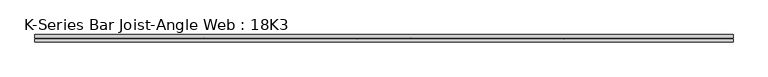
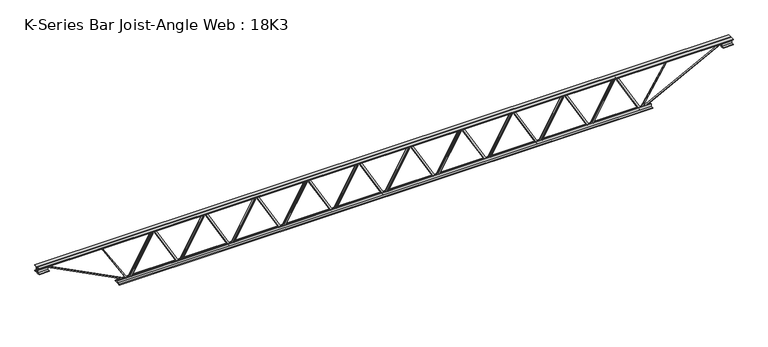
"""IFC4 building model written with IfcOpenShell, lengths in millimetres: beam geometry, K-Series Bar Joist-Angle Web : 18K3."""

import ifcopenshell
import ifcopenshell.guid

model = None  # the IFC model being written
_history = None  # IfcOwnerHistory: only IFC2X3 demands one
_inside = {}  # id of a spatial element -> (the spatial element, [elements in it])
_under = {}  # id of a project, library or spatial element -> (it, [spatial elements below it])
_declared = {}  # id of a project -> (the project, [libraries it declares])
_typed = {}  # id of a type object -> (the type object, [elements of that type])
_made_of = {}  # id of a material, layer set ... -> (it, [elements and type objects made of it])


def new_model(schema):
    """Start an empty IFC model of exactly this schema.

    Asked for "IFC4X3", IfcOpenShell would pick the latest addendum, in which some entities
    have other attributes; the version numbers below select the first issue.
    IFC2X3 requires an IfcOwnerHistory on every rooted entity: one is made here for all.
    """
    global model, _history
    if schema == "IFC4X3":
        model = ifcopenshell.file(schema_version=(4, 3, 0, 0))
    else:
        model = ifcopenshell.file(schema=schema)
    _inside.clear()
    _under.clear()
    _declared.clear()
    _typed.clear()
    _made_of.clear()
    _history = None
    if model.schema == "IFC2X3":
        org = make("IfcOrganization", Name="unknown")
        user = make(
            "IfcPersonAndOrganization",
            ThePerson=make("IfcPerson", FamilyName="unknown"),
            TheOrganization=org,
        )
        app = make(
            "IfcApplication",
            ApplicationDeveloper=org,
            Version="unknown",
            ApplicationFullName="unknown",
            ApplicationIdentifier="unknown",
        )
        _history = make(
            "IfcOwnerHistory",
            OwningUser=user,
            OwningApplication=app,
            ChangeAction="ADDED",
            CreationDate=0,
        )
    return model


def make(cls, **values):
    """One entity of the class cls with the attributes given. An attribute that is None is left unset."""
    return model.create_entity(
        cls, **{name: value for name, value in values.items() if value is not None}
    )


def rooted(cls, **values):
    """An entity with a GlobalId (a new one), such as an element, a storey or a relation."""
    return make(cls, GlobalId=ifcopenshell.guid.new(), OwnerHistory=_history, **values)


def si_unit(unit_type, name, prefix=None):
    """IfcSIUnit, for example si_unit("LENGTHUNIT", "METRE", prefix="MILLI")."""
    return make("IfcSIUnit", UnitType=unit_type, Prefix=prefix, Name=name)


def assignment(units):
    """IfcUnitAssignment: the units of a project."""
    return None if units is None else make("IfcUnitAssignment", Units=units)


def point(xyz):
    """IfcCartesianPoint."""
    return None if xyz is None else make("IfcCartesianPoint", Coordinates=xyz)


def direction(xyz):
    """IfcDirection."""
    return None if xyz is None else make("IfcDirection", DirectionRatios=xyz)


def frame(location, z_axis=None, x_axis=None):
    """IfcAxis2Placement3D, a coordinate frame: its origin and axes. An axis left out is left unset."""
    return make(
        "IfcAxis2Placement3D",
        Location=point(location),
        Axis=direction(z_axis),
        RefDirection=direction(x_axis),
    )


def origin():
    """The frame at (0, 0, 0) with its axes left unset."""
    return frame((0.0, 0.0, 0.0))


def place(relative_to, where):
    """IfcLocalPlacement: puts the frame where relative to a parent placement (None: the world)."""
    return make(
        "IfcLocalPlacement", PlacementRelTo=relative_to, RelativePlacement=where
    )


def context(
    kind, dimensions, precision=None, world=None, true_north=None, identifier=None
):
    """IfcGeometricRepresentationContext, for example the 3D "Model" context."""
    return make(
        "IfcGeometricRepresentationContext",
        ContextIdentifier=identifier,
        ContextType=kind,
        CoordinateSpaceDimension=dimensions,
        Precision=precision,
        WorldCoordinateSystem=world,
        TrueNorth=true_north,
    )


def project(units=None, contexts=None):
    """IfcProject with its units and contexts."""
    return rooted(
        "IfcProject",
        Name="project",
        RepresentationContexts=contexts,
        UnitsInContext=assignment(units),
    )


def spatial(cls, under=None, at=None, **own):
    """A site, building, storey or space (cls), placed at a placement, below another one or the project."""
    s = rooted(cls, ObjectPlacement=at, **own)
    if under is not None:
        _under.setdefault(under.id(), (under, []))[1].append(s)
    return s


def polyline(points):
    """IfcPolyline through the points."""
    return make("IfcPolyline", Points=[point(p) for p in points])


def outline(outer, holes=None, kind="AREA"):
    """IfcArbitraryClosedProfileDef: a profile drawn as a closed curve; with holes, ...WithVoids."""
    if holes is None:
        return make("IfcArbitraryClosedProfileDef", ProfileType=kind, OuterCurve=outer)
    return make(
        "IfcArbitraryProfileDefWithVoids",
        ProfileType=kind,
        OuterCurve=outer,
        InnerCurves=holes,
    )


def extrude(swept, where, along, depth):
    """IfcExtrudedAreaSolid: the profile swept, set in the frame where, extruded along a direction by depth."""
    return make(
        "IfcExtrudedAreaSolid",
        SweptArea=swept,
        Position=where,
        ExtrudedDirection=direction(along),
        Depth=depth,
    )


def faces_of(points, faces, orient=None, outer=None):
    """IfcFace entities. A face is a list of loops; a loop is a list of indices into points, from 0.

    orient and outer hold one flag for each loop. By default every Orientation is true, the
    first loop of a face is its IfcFaceOuterBound and the others are IfcFaceBound.
    """
    made = []
    for i, loops in enumerate(faces):
        bounds = []
        for j, loop in enumerate(loops):
            is_outer = j == 0 if outer is None else outer[i][j]
            bounds.append(
                make(
                    "IfcFaceOuterBound" if is_outer else "IfcFaceBound",
                    Bound=make("IfcPolyLoop", Polygon=[points[k] for k in loop]),
                    Orientation=True if orient is None else orient[i][j],
                )
            )
        made.append(make("IfcFace", Bounds=bounds))
    return made


def faceted_brep(points, faces, orient=None, outer=None, voids=None):
    """IfcFacetedBrep: a solid bounded by flat faces; with voids (closed shells), ...WithVoids."""
    shared = [point(p) for p in points]
    hull = make("IfcClosedShell", CfsFaces=faces_of(shared, faces, orient, outer))
    if voids is None:
        return make("IfcFacetedBrep", Outer=hull)
    return make(
        "IfcFacetedBrepWithVoids",
        Outer=hull,
        Voids=[
            make(cls, CfsFaces=faces_of(shared, fs, o, b)) for cls, fs, o, b in voids
        ],
    )


def shape(context_of_items, identifier, shape_type, items):
    """IfcShapeRepresentation: the items that make up one representation, for example the "Body"."""
    return make(
        "IfcShapeRepresentation",
        ContextOfItems=context_of_items,
        RepresentationIdentifier=identifier,
        RepresentationType=shape_type,
        Items=items,
    )


def source(mapping_origin, context_of_items, identifier, shape_type, items):
    """IfcRepresentationMap: a shape defined once, which mapped items show again and again."""
    return make(
        "IfcRepresentationMap",
        MappingOrigin=mapping_origin,
        MappedRepresentation=shape(context_of_items, identifier, shape_type, items),
    )


def transform(
    local_origin,
    x_axis=None,
    y_axis=None,
    z_axis=None,
    scale=None,
    scale2=None,
    scale3=None,
    uniform=True,
):
    """IfcCartesianTransformationOperator3D, or its non-uniform kind. x_axis, y_axis, z_axis: its Axis1, 2, 3."""
    if uniform:
        return make(
            "IfcCartesianTransformationOperator3D",
            Axis1=direction(x_axis),
            Axis2=direction(y_axis),
            LocalOrigin=point(local_origin),
            Scale=scale,
            Axis3=direction(z_axis),
        )
    return make(
        "IfcCartesianTransformationOperator3DnonUniform",
        Axis1=direction(x_axis),
        Axis2=direction(y_axis),
        LocalOrigin=point(local_origin),
        Scale=scale,
        Axis3=direction(z_axis),
        Scale2=scale2,
        Scale3=scale3,
    )


def mapped(mapping_source, mapping_target):
    """IfcMappedItem: shows the shape of a source again, moved by a transform."""
    return make(
        "IfcMappedItem", MappingSource=mapping_source, MappingTarget=mapping_target
    )


def made_of(thing, what):
    """Note that an element or type object is made of a material, layer set ...; save() writes the relation."""
    if what is not None:
        _made_of.setdefault(what.id(), (what, []))[1].append(thing)
    return thing


def element(
    cls,
    number,
    at=None,
    inside=None,
    cuts=None,
    type_object=None,
    material=None,
    context=None,
    identifier="Body",
    shape_type=None,
    held_by="IfcProductDefinitionShape",
    body=None,
    shapes=None,
    **own,
):
    """One element of the class cls, such as IfcWall. Its Tag is "e" and its number.

    at: its placement. inside: the storey or other place that contains it. cuts: it is an
    opening in that element (IfcRelVoidsElement). A single representation is given by context,
    identifier, shape_type and body (its items); several are given by shapes. held_by: the class
    of the entity that holds the representations. save() writes the other relations.
    """
    e = rooted(cls, Tag="e%d" % number, ObjectPlacement=at, **own)
    if body is not None:
        shapes = [shape(context, identifier, shape_type, body)]
    if shapes is not None:
        e.Representation = make(held_by, Representations=shapes)
    if inside is not None:
        _inside.setdefault(inside.id(), (inside, []))[1].append(e)
    if cuts is not None:
        rooted(
            "IfcRelVoidsElement", RelatingBuildingElement=cuts, RelatedOpeningElement=e
        )
    if type_object is not None:
        _typed.setdefault(type_object.id(), (type_object, []))[1].append(e)
    return made_of(e, material)


def aggregate(whole, parts):
    """IfcRelAggregates: a whole, such as a stair, and the parts it consists of."""
    return rooted("IfcRelAggregates", RelatingObject=whole, RelatedObjects=parts)


def save(model, path):
    """Write the relations noted so far, then the file.

    IfcRelAggregates (storeys below a building ...), IfcRelContainedInSpatialStructure (elements
    in a storey), IfcRelDefinesByType, IfcRelAssociatesMaterial and IfcRelDeclares: one each for
    every whole, place, type object, material and project.
    """
    for whole, parts in _under.values():
        aggregate(whole, parts)
    for where, things in _inside.values():
        rooted(
            "IfcRelContainedInSpatialStructure",
            RelatedElements=things,
            RelatingStructure=where,
        )
    for kind, things in _typed.values():
        rooted("IfcRelDefinesByType", RelatedObjects=things, RelatingType=kind)
    for what, things in _made_of.values():
        rooted("IfcRelAssociatesMaterial", RelatedObjects=things, RelatingMaterial=what)
    for by, libraries in _declared.values():
        rooted("IfcRelDeclares", RelatingContext=by, RelatedDefinitions=libraries)
    model.write(path)


def k_series_bar_joist_angle_web_18k3_24161529(model_context):
    return source(origin(), model_context, "Body", "SolidModel", [
        extrude(outline(polyline([(-4.7625, 4.7625), (-4.7625, 0.0), (-17.4625, 0.0), (-17.4625, 4.7625), (-4.7625, 4.7625)])), frame((2045.2368354, 0.0, -190.5), z_axis=(-0.4964310512855529, 0.0, 0.8680761552533975), x_axis=(0.0, -1.0, 0.0)), (0.0, 0.0, 1.0), 438.9015845),
        extrude(outline(polyline([(-225.425, 2077.085), (-206.375, 2077.085), (-206.375, 2076.2604302), (225.425, 1829.3248052), (225.425, 1811.099375), (206.375, 1811.099375), (206.375, 1818.2739448), (-225.425, 2065.2095698), (-225.425, 2077.085)])), frame((0.0, 0.0, 0.0), z_axis=(0.0, 1.0, 0.0), x_axis=(0.0, 0.0, 1.0)), (0.0, 0.0, 1.0), 4.7625),
        faceted_brep([(1557.81375, 0.0, -206.375), (1557.81375, 0.0, -225.425), (1557.81375, -4.7625, -225.425), (1557.81375, -4.7625, -206.375), (1558.6383198, 0.0, -206.375), (1805.5739448, 0.0, 225.425), (1823.799375, 0.0, 225.425), (1823.799375, 0.0, 206.375), (1816.6248052, 0.0, 206.375), (1569.6891802, 0.0, -225.425), (1569.6891802, -4.7625, -225.425), (1589.6619146, -4.7625, -190.5), (1585.5277019, -4.7625, -188.1357471), (1803.4120769, -4.7625, 192.8642529), (1807.5462896, -4.7625, 190.5), (1816.6248052, -4.7625, 206.375), (1823.799375, -4.7625, 206.375), (1823.799375, -4.7625, 225.425), (1805.5739448, -4.7625, 225.425), (1558.6383198, -4.7625, -206.375), (1807.5462896, -17.4625, 190.5), (1589.6619146, -17.4625, -190.5), (1585.5277019, -17.4625, -188.1357471), (1803.4120769, -17.4625, 192.8642529)], [[[0, 1, 2, 3]], [[1, 0, 4, 5, 6, 7, 8, 9]], [[2, 1, 9, 10]], [[3, 2, 10, 11, 12, 13, 14, 15, 16, 17, 18, 19]], [[0, 3, 19, 4]], [[9, 8, 15, 14, 20, 21, 11, 10]], [[5, 4, 19, 18]], [[7, 6, 17, 16]], [[8, 7, 16, 15]], [[6, 5, 18, 17]], [[21, 22, 12, 11]], [[20, 14, 13, 23]], [[22, 21, 20, 23]], [[12, 22, 23, 13]]]),
        extrude(outline(polyline([(-4.7625, 4.7625), (-4.7625, 0.0), (-17.4625, 0.0), (-17.4625, 4.7625), (-4.7625, 4.7625)])), frame((1525.9655854, 0.0, -190.5), z_axis=(-0.4964310512855529, 0.0, 0.8680761552533975), x_axis=(0.0, -1.0, 0.0)), (0.0, 0.0, 1.0), 438.9015845),
        extrude(outline(polyline([(-225.425, 1557.81375), (-206.375, 1557.81375), (-206.375, 1556.9891802), (225.425, 1310.0535552), (225.425, 1291.828125), (206.375, 1291.828125), (206.375, 1299.0026948), (-225.425, 1545.9383198), (-225.425, 1557.81375)])), frame((0.0, 0.0, 0.0), z_axis=(0.0, 1.0, 0.0), x_axis=(0.0, 0.0, 1.0)), (0.0, 0.0, 1.0), 4.7625),
        faceted_brep([(1038.5425, 0.0, -206.375), (1038.5425, 0.0, -225.425), (1038.5425, -4.7625, -225.425), (1038.5425, -4.7625, -206.375), (1039.3670698, 0.0, -206.375), (1286.3026948, 0.0, 225.425), (1304.528125, 0.0, 225.425), (1304.528125, 0.0, 206.375), (1297.3535552, 0.0, 206.375), (1050.4179302, 0.0, -225.425), (1050.4179302, -4.7625, -225.425), (1070.3906646, -4.7625, -190.5), (1066.2564519, -4.7625, -188.1357471), (1284.1408269, -4.7625, 192.8642529), (1288.2750396, -4.7625, 190.5), (1297.3535552, -4.7625, 206.375), (1304.528125, -4.7625, 206.375), (1304.528125, -4.7625, 225.425), (1286.3026948, -4.7625, 225.425), (1039.3670698, -4.7625, -206.375), (1288.2750396, -17.4625, 190.5), (1070.3906646, -17.4625, -190.5), (1066.2564519, -17.4625, -188.1357471), (1284.1408269, -17.4625, 192.8642529)], [[[0, 1, 2, 3]], [[1, 0, 4, 5, 6, 7, 8, 9]], [[2, 1, 9, 10]], [[3, 2, 10, 11, 12, 13, 14, 15, 16, 17, 18, 19]], [[0, 3, 19, 4]], [[9, 8, 15, 14, 20, 21, 11, 10]], [[5, 4, 19, 18]], [[7, 6, 17, 16]], [[8, 7, 16, 15]], [[6, 5, 18, 17]], [[21, 22, 12, 11]], [[20, 14, 13, 23]], [[22, 21, 20, 23]], [[12, 22, 23, 13]]]),
        extrude(outline(polyline([(-4.7625, 4.7625), (-4.7625, 0.0), (-17.4625, 0.0), (-17.4625, 4.7625), (-4.7625, 4.7625)])), frame((1006.6943354, 0.0, -190.5), z_axis=(-0.4964310512855529, 0.0, 0.8680761552533975), x_axis=(0.0, -1.0, 0.0)), (0.0, 0.0, 1.0), 438.9015845),
        extrude(outline(polyline([(-225.425, 1038.5425), (-206.375, 1038.5425), (-206.375, 1037.7179302), (225.425, 790.7823052), (225.425, 772.556875), (206.375, 772.556875), (206.375, 779.7314448), (-225.425, 1026.6670698), (-225.425, 1038.5425)])), frame((0.0, 0.0, 0.0), z_axis=(0.0, 1.0, 0.0), x_axis=(0.0, 0.0, 1.0)), (0.0, 0.0, 1.0), 4.7625),
        faceted_brep([(519.27125, 0.0, -206.375), (519.27125, 0.0, -225.425), (519.27125, -4.7625, -225.425), (519.27125, -4.7625, -206.375), (520.0958198, 0.0, -206.375), (767.0314448, 0.0, 225.425), (785.256875, 0.0, 225.425), (785.256875, 0.0, 206.375), (778.0823052, 0.0, 206.375), (531.1466802, 0.0, -225.425), (531.1466802, -4.7625, -225.425), (551.1194146, -4.7625, -190.5), (546.9852019, -4.7625, -188.1357471), (764.8695769, -4.7625, 192.8642529), (769.0037896, -4.7625, 190.5), (778.0823052, -4.7625, 206.375), (785.256875, -4.7625, 206.375), (785.256875, -4.7625, 225.425), (767.0314448, -4.7625, 225.425), (520.0958198, -4.7625, -206.375), (769.0037896, -17.4625, 190.5), (551.1194146, -17.4625, -190.5), (546.9852019, -17.4625, -188.1357471), (764.8695769, -17.4625, 192.8642529)], [[[0, 1, 2, 3]], [[1, 0, 4, 5, 6, 7, 8, 9]], [[2, 1, 9, 10]], [[3, 2, 10, 11, 12, 13, 14, 15, 16, 17, 18, 19]], [[0, 3, 19, 4]], [[9, 8, 15, 14, 20, 21, 11, 10]], [[5, 4, 19, 18]], [[7, 6, 17, 16]], [[8, 7, 16, 15]], [[6, 5, 18, 17]], [[21, 22, 12, 11]], [[20, 14, 13, 23]], [[22, 21, 20, 23]], [[12, 22, 23, 13]]]),
        extrude(outline(polyline([(-4.7625, 4.7625), (-4.7625, 0.0), (-17.4625, 0.0), (-17.4625, 4.7625), (-4.7625, 4.7625)])), frame((487.4230854, 0.0, -190.5), z_axis=(-0.4964310512855529, 0.0, 0.8680761552533975), x_axis=(0.0, -1.0, 0.0)), (0.0, 0.0, 1.0), 438.9015845),
        extrude(outline(polyline([(-225.425, 519.27125), (-206.375, 519.27125), (-206.375, 518.4466802), (225.425, 271.5110552), (225.425, 253.285625), (206.375, 253.285625), (206.375, 260.4601948), (-225.425, 507.3958198), (-225.425, 519.27125)])), frame((0.0, 0.0, 0.0), z_axis=(0.0, 1.0, 0.0), x_axis=(0.0, 0.0, 1.0)), (0.0, 0.0, 1.0), 4.7625),
        faceted_brep([(0.0, 0.0, -206.375), (0.0, 0.0, -225.425), (0.0, -4.7625, -225.425), (0.0, -4.7625, -206.375), (0.8245698, 0.0, -206.375), (247.7601948, 0.0, 225.425), (265.985625, 0.0, 225.425), (265.985625, 0.0, 206.375), (258.8110552, 0.0, 206.375), (11.8754302, 0.0, -225.425), (11.8754302, -4.7625, -225.425), (31.8481646, -4.7625, -190.5), (27.7139519, -4.7625, -188.1357471), (245.5983269, -4.7625, 192.8642529), (249.7325396, -4.7625, 190.5), (258.8110552, -4.7625, 206.375), (265.985625, -4.7625, 206.375), (265.985625, -4.7625, 225.425), (247.7601948, -4.7625, 225.425), (0.8245698, -4.7625, -206.375), (249.7325396, -17.4625, 190.5), (31.8481646, -17.4625, -190.5), (27.7139519, -17.4625, -188.1357471), (245.5983269, -17.4625, 192.8642529)], [[[0, 1, 2, 3]], [[1, 0, 4, 5, 6, 7, 8, 9]], [[2, 1, 9, 10]], [[3, 2, 10, 11, 12, 13, 14, 15, 16, 17, 18, 19]], [[0, 3, 19, 4]], [[9, 8, 15, 14, 20, 21, 11, 10]], [[5, 4, 19, 18]], [[7, 6, 17, 16]], [[8, 7, 16, 15]], [[6, 5, 18, 17]], [[21, 22, 12, 11]], [[20, 14, 13, 23]], [[22, 21, 20, 23]], [[12, 22, 23, 13]]]),
        extrude(outline(polyline([(-4.7625, 4.7625), (-4.7625, 0.0), (-17.4625, 0.0), (-17.4625, 4.7625), (-4.7625, 4.7625)])), frame((-31.8481646, 0.0, -190.5), z_axis=(-0.4964310512855529, 0.0, 0.8680761552533975), x_axis=(0.0, -1.0, 0.0)), (0.0, 0.0, 1.0), 438.9015845),
        extrude(outline(polyline([(-225.425, 0.0), (-206.375, 0.0), (-206.375, -0.8245698), (225.425, -247.7601948), (225.425, -265.985625), (206.375, -265.985625), (206.375, -258.8110552), (-225.425, -11.8754302), (-225.425, 0.0)])), frame((0.0, 0.0, 0.0), z_axis=(0.0, 1.0, 0.0), x_axis=(0.0, 0.0, 1.0)), (0.0, 0.0, 1.0), 4.7625),
        faceted_brep([(-519.27125, 0.0, -206.375), (-519.27125, 0.0, -225.425), (-519.27125, -4.7625, -225.425), (-519.27125, -4.7625, -206.375), (-518.4466802, 0.0, -206.375), (-271.5110552, 0.0, 225.425), (-253.285625, 0.0, 225.425), (-253.285625, 0.0, 206.375), (-260.4601948, 0.0, 206.375), (-507.3958198, 0.0, -225.425), (-507.3958198, -4.7625, -225.425), (-487.4230854, -4.7625, -190.5), (-491.5572981, -4.7625, -188.1357471), (-273.6729231, -4.7625, 192.8642529), (-269.5387104, -4.7625, 190.5), (-260.4601948, -4.7625, 206.375), (-253.285625, -4.7625, 206.375), (-253.285625, -4.7625, 225.425), (-271.5110552, -4.7625, 225.425), (-518.4466802, -4.7625, -206.375), (-269.5387104, -17.4625, 190.5), (-487.4230854, -17.4625, -190.5), (-491.5572981, -17.4625, -188.1357471), (-273.6729231, -17.4625, 192.8642529)], [[[0, 1, 2, 3]], [[1, 0, 4, 5, 6, 7, 8, 9]], [[2, 1, 9, 10]], [[3, 2, 10, 11, 12, 13, 14, 15, 16, 17, 18, 19]], [[0, 3, 19, 4]], [[9, 8, 15, 14, 20, 21, 11, 10]], [[5, 4, 19, 18]], [[7, 6, 17, 16]], [[8, 7, 16, 15]], [[6, 5, 18, 17]], [[21, 22, 12, 11]], [[20, 14, 13, 23]], [[22, 21, 20, 23]], [[12, 22, 23, 13]]]),
        extrude(outline(polyline([(-4.7625, 4.7625), (-4.7625, 0.0), (-17.4625, 0.0), (-17.4625, 4.7625), (-4.7625, 4.7625)])), frame((-551.1194146, 0.0, -190.5), z_axis=(-0.4964310512855529, 0.0, 0.8680761552533975), x_axis=(0.0, -1.0, 0.0)), (0.0, 0.0, 1.0), 438.9015845),
        extrude(outline(polyline([(-225.425, -519.27125), (-206.375, -519.27125), (-206.375, -520.0958198), (225.425, -767.0314448), (225.425, -785.256875), (206.375, -785.256875), (206.375, -778.0823052), (-225.425, -531.1466802), (-225.425, -519.27125)])), frame((0.0, 0.0, 0.0), z_axis=(0.0, 1.0, 0.0), x_axis=(0.0, 0.0, 1.0)), (0.0, 0.0, 1.0), 4.7625),
        faceted_brep([(-1038.5425, 0.0, -206.375), (-1038.5425, 0.0, -225.425), (-1038.5425, -4.7625, -225.425), (-1038.5425, -4.7625, -206.375), (-1037.7179302, 0.0, -206.375), (-790.7823052, 0.0, 225.425), (-772.556875, 0.0, 225.425), (-772.556875, 0.0, 206.375), (-779.7314448, 0.0, 206.375), (-1026.6670698, 0.0, -225.425), (-1026.6670698, -4.7625, -225.425), (-1006.6943354, -4.7625, -190.5), (-1010.8285481, -4.7625, -188.1357471), (-792.9441731, -4.7625, 192.8642529), (-788.8099604, -4.7625, 190.5), (-779.7314448, -4.7625, 206.375), (-772.556875, -4.7625, 206.375), (-772.556875, -4.7625, 225.425), (-790.7823052, -4.7625, 225.425), (-1037.7179302, -4.7625, -206.375), (-788.8099604, -17.4625, 190.5), (-1006.6943354, -17.4625, -190.5), (-1010.8285481, -17.4625, -188.1357471), (-792.9441731, -17.4625, 192.8642529)], [[[0, 1, 2, 3]], [[1, 0, 4, 5, 6, 7, 8, 9]], [[2, 1, 9, 10]], [[3, 2, 10, 11, 12, 13, 14, 15, 16, 17, 18, 19]], [[0, 3, 19, 4]], [[9, 8, 15, 14, 20, 21, 11, 10]], [[5, 4, 19, 18]], [[7, 6, 17, 16]], [[8, 7, 16, 15]], [[6, 5, 18, 17]], [[21, 22, 12, 11]], [[20, 14, 13, 23]], [[22, 21, 20, 23]], [[12, 22, 23, 13]]]),
        extrude(outline(polyline([(-4.7625, 4.7625), (-4.7625, 0.0), (-17.4625, 0.0), (-17.4625, 4.7625), (-4.7625, 4.7625)])), frame((-1070.3906646, 0.0, -190.5), z_axis=(-0.4964310512855529, 0.0, 0.8680761552533975), x_axis=(0.0, -1.0, 0.0)), (0.0, 0.0, 1.0), 438.9015845),
        extrude(outline(polyline([(-225.425, -1038.5425), (-206.375, -1038.5425), (-206.375, -1039.3670698), (225.425, -1286.3026948), (225.425, -1304.528125), (206.375, -1304.528125), (206.375, -1297.3535552), (-225.425, -1050.4179302), (-225.425, -1038.5425)])), frame((0.0, 0.0, 0.0), z_axis=(0.0, 1.0, 0.0), x_axis=(0.0, 0.0, 1.0)), (0.0, 0.0, 1.0), 4.7625),
        faceted_brep([(-1557.81375, 0.0, -206.375), (-1557.81375, 0.0, -225.425), (-1557.81375, -4.7625, -225.425), (-1557.81375, -4.7625, -206.375), (-1556.9891802, 0.0, -206.375), (-1310.0535552, 0.0, 225.425), (-1291.828125, 0.0, 225.425), (-1291.828125, 0.0, 206.375), (-1299.0026948, 0.0, 206.375), (-1545.9383198, 0.0, -225.425), (-1545.9383198, -4.7625, -225.425), (-1525.9655854, -4.7625, -190.5), (-1530.0997981, -4.7625, -188.1357471), (-1312.2154231, -4.7625, 192.8642529), (-1308.0812104, -4.7625, 190.5), (-1299.0026948, -4.7625, 206.375), (-1291.828125, -4.7625, 206.375), (-1291.828125, -4.7625, 225.425), (-1310.0535552, -4.7625, 225.425), (-1556.9891802, -4.7625, -206.375), (-1308.0812104, -17.4625, 190.5), (-1525.9655854, -17.4625, -190.5), (-1530.0997981, -17.4625, -188.1357471), (-1312.2154231, -17.4625, 192.8642529)], [[[0, 1, 2, 3]], [[1, 0, 4, 5, 6, 7, 8, 9]], [[2, 1, 9, 10]], [[3, 2, 10, 11, 12, 13, 14, 15, 16, 17, 18, 19]], [[0, 3, 19, 4]], [[9, 8, 15, 14, 20, 21, 11, 10]], [[5, 4, 19, 18]], [[7, 6, 17, 16]], [[8, 7, 16, 15]], [[6, 5, 18, 17]], [[21, 22, 12, 11]], [[20, 14, 13, 23]], [[22, 21, 20, 23]], [[12, 22, 23, 13]]]),
        extrude(outline(polyline([(-4.7625, 4.7625), (-4.7625, 0.0), (-17.4625, 0.0), (-17.4625, 4.7625), (-4.7625, 4.7625)])), frame((-1589.6619146, 0.0, -190.5), z_axis=(-0.4964310512855529, 0.0, 0.8680761552533975), x_axis=(0.0, -1.0, 0.0)), (0.0, 0.0, 1.0), 438.9015845),
        extrude(outline(polyline([(-225.425, -1557.81375), (-206.375, -1557.81375), (-206.375, -1558.6383198), (225.425, -1805.5739448), (225.425, -1823.799375), (206.375, -1823.799375), (206.375, -1816.6248052), (-225.425, -1569.6891802), (-225.425, -1557.81375)])), frame((0.0, 0.0, 0.0), z_axis=(0.0, 1.0, 0.0), x_axis=(0.0, 0.0, 1.0)), (0.0, 0.0, 1.0), 4.7625),
        faceted_brep([(-2077.085, 0.0, -206.375), (-2077.085, 0.0, -225.425), (-2077.085, -4.7625, -225.425), (-2077.085, -4.7625, -206.375), (-2076.2604302, 0.0, -206.375), (-1829.3248052, 0.0, 225.425), (-1811.099375, 0.0, 225.425), (-1811.099375, 0.0, 206.375), (-1818.2739448, 0.0, 206.375), (-2065.2095698, 0.0, -225.425), (-2065.2095698, -4.7625, -225.425), (-2045.2368354, -4.7625, -190.5), (-2049.3710481, -4.7625, -188.1357471), (-1831.4866731, -4.7625, 192.8642529), (-1827.3524604, -4.7625, 190.5), (-1818.2739448, -4.7625, 206.375), (-1811.099375, -4.7625, 206.375), (-1811.099375, -4.7625, 225.425), (-1829.3248052, -4.7625, 225.425), (-2076.2604302, -4.7625, -206.375), (-1827.3524604, -17.4625, 190.5), (-2045.2368354, -17.4625, -190.5), (-2049.3710481, -17.4625, -188.1357471), (-1831.4866731, -17.4625, 192.8642529)], [[[0, 1, 2, 3]], [[1, 0, 4, 5, 6, 7, 8, 9]], [[2, 1, 9, 10]], [[3, 2, 10, 11, 12, 13, 14, 15, 16, 17, 18, 19]], [[0, 3, 19, 4]], [[9, 8, 15, 14, 20, 21, 11, 10]], [[5, 4, 19, 18]], [[7, 6, 17, 16]], [[8, 7, 16, 15]], [[6, 5, 18, 17]], [[21, 22, 12, 11]], [[20, 14, 13, 23]], [[22, 21, 20, 23]], [[12, 22, 23, 13]]]),
        extrude(outline(polyline([(-4.7625, 4.7625), (-4.7625, 0.0), (-17.4625, 0.0), (-17.4625, 4.7625), (-4.7625, 4.7625)])), frame((2564.5080854, 0.0, -190.5), z_axis=(-0.4964310512855529, 0.0, 0.8680761552533975), x_axis=(0.0, -1.0, 0.0)), (0.0, 0.0, 1.0), 438.9015845),
        extrude(outline(polyline([(-225.425, 2596.35625), (-206.375, 2596.35625), (-206.375, 2595.5316802), (225.425, 2348.5960552), (225.425, 2330.370625), (206.375, 2330.370625), (206.375, 2337.5451948), (-225.425, 2584.4808198), (-225.425, 2596.35625)])), frame((0.0, 0.0, 0.0), z_axis=(0.0, 1.0, 0.0), x_axis=(0.0, 0.0, 1.0)), (0.0, 0.0, 1.0), 4.7625),
        faceted_brep([(2077.085, 0.0, -206.375), (2077.085, 0.0, -225.425), (2077.085, -4.7625, -225.425), (2077.085, -4.7625, -206.375), (2077.9095698, 0.0, -206.375), (2324.8451948, 0.0, 225.425), (2343.070625, 0.0, 225.425), (2343.070625, 0.0, 206.375), (2335.8960552, 0.0, 206.375), (2088.9604302, 0.0, -225.425), (2088.9604302, -4.7625, -225.425), (2108.9331646, -4.7625, -190.5), (2104.7989519, -4.7625, -188.1357471), (2322.6833269, -4.7625, 192.8642529), (2326.8175396, -4.7625, 190.5), (2335.8960552, -4.7625, 206.375), (2343.070625, -4.7625, 206.375), (2343.070625, -4.7625, 225.425), (2324.8451948, -4.7625, 225.425), (2077.9095698, -4.7625, -206.375), (2326.8175396, -17.4625, 190.5), (2108.9331646, -17.4625, -190.5), (2104.7989519, -17.4625, -188.1357471), (2322.6833269, -17.4625, 192.8642529)], [[[0, 1, 2, 3]], [[1, 0, 4, 5, 6, 7, 8, 9]], [[2, 1, 9, 10]], [[3, 2, 10, 11, 12, 13, 14, 15, 16, 17, 18, 19]], [[0, 3, 19, 4]], [[9, 8, 15, 14, 20, 21, 11, 10]], [[5, 4, 19, 18]], [[7, 6, 17, 16]], [[8, 7, 16, 15]], [[6, 5, 18, 17]], [[21, 22, 12, 11]], [[20, 14, 13, 23]], [[22, 21, 20, 23]], [[12, 22, 23, 13]]]),
        extrude(outline(polyline([(-4.7625, 4.7625), (-4.7625, 0.0), (-17.4625, 0.0), (-17.4625, 4.7625), (-4.7625, 4.7625)])), frame((-2108.9331646, 0.0, -190.5), z_axis=(-0.4964310512855529, 0.0, 0.8680761552533975), x_axis=(0.0, -1.0, 0.0)), (0.0, 0.0, 1.0), 438.9015845),
        extrude(outline(polyline([(-225.425, -2077.085), (-206.375, -2077.085), (-206.375, -2077.9095698), (225.425, -2324.8451948), (225.425, -2343.070625), (206.375, -2343.070625), (206.375, -2335.8960552), (-225.425, -2088.9604302), (-225.425, -2077.085)])), frame((0.0, 0.0, 0.0), z_axis=(0.0, 1.0, 0.0), x_axis=(0.0, 0.0, 1.0)), (0.0, 0.0, 1.0), 4.7625),
        faceted_brep([(-2596.35625, 0.0, -206.375), (-2596.35625, 0.0, -225.425), (-2596.35625, -4.7625, -225.425), (-2596.35625, -4.7625, -206.375), (-2595.5316802, 0.0, -206.375), (-2348.5960552, 0.0, 225.425), (-2330.370625, 0.0, 225.425), (-2330.370625, 0.0, 206.375), (-2337.5451948, 0.0, 206.375), (-2584.4808198, 0.0, -225.425), (-2584.4808198, -4.7625, -225.425), (-2564.5080854, -4.7625, -190.5), (-2568.6422981, -4.7625, -188.1357471), (-2350.7579231, -4.7625, 192.8642529), (-2346.6237104, -4.7625, 190.5), (-2337.5451948, -4.7625, 206.375), (-2330.370625, -4.7625, 206.375), (-2330.370625, -4.7625, 225.425), (-2348.5960552, -4.7625, 225.425), (-2595.5316802, -4.7625, -206.375), (-2346.6237104, -17.4625, 190.5), (-2564.5080854, -17.4625, -190.5), (-2568.6422981, -17.4625, -188.1357471), (-2350.7579231, -17.4625, 192.8642529)], [[[0, 1, 2, 3]], [[1, 0, 4, 5, 6, 7, 8, 9]], [[2, 1, 9, 10]], [[3, 2, 10, 11, 12, 13, 14, 15, 16, 17, 18, 19]], [[0, 3, 19, 4]], [[9, 8, 15, 14, 20, 21, 11, 10]], [[5, 4, 19, 18]], [[7, 6, 17, 16]], [[8, 7, 16, 15]], [[6, 5, 18, 17]], [[21, 22, 12, 11]], [[20, 14, 13, 23]], [[22, 21, 20, 23]], [[12, 22, 23, 13]]]),
        extrude(outline(polyline([(4.7625, 228.6), (36.5125, 228.6), (36.5125, 222.25), (11.1125, 222.25), (11.1125, 196.85), (4.7625, 196.85), (4.7625, 228.6)])), frame((-3510.75625, 0.0, 0.0), z_axis=(1.0, 0.0, 0.0), x_axis=(0.0, 1.0, 0.0)), (0.0, 0.0, 1.0), 7021.5125),
        extrude(outline(polyline([(-4.7625, 228.6), (-4.7625, 196.85), (-11.1125, 196.85), (-11.1125, 222.25), (-36.5125, 222.25), (-36.5125, 228.6), (-4.7625, 228.6)])), frame((-3510.75625, 0.0, 0.0), z_axis=(1.0, 0.0, 0.0), x_axis=(0.0, 1.0, 0.0)), (0.0, 0.0, 1.0), 7021.5125),
        extrude(outline(polyline([(-4.7625, 165.1), (-36.5125, 165.1), (-36.5125, 171.45), (-11.1125, 171.45), (-11.1125, 196.85), (-4.7625, 196.85), (-4.7625, 165.1)])), frame((-3510.75625, 0.0, 0.0), z_axis=(1.0, 0.0, 0.0), x_axis=(0.0, 1.0, 0.0)), (0.0, 0.0, 1.0), 101.6),
        extrude(outline(polyline([(36.5125, 165.1), (4.7625, 165.1), (4.7625, 196.85), (11.1125, 196.85), (11.1125, 171.45), (36.5125, 171.45), (36.5125, 165.1)])), frame((-3510.75625, 0.0, 0.0), z_axis=(1.0, 0.0, 0.0), x_axis=(0.0, 1.0, 0.0)), (0.0, 0.0, 1.0), 101.6),
        extrude(outline(polyline([(4.7625, 165.1), (4.7625, 196.85), (11.1125, 196.85), (11.1125, 171.45), (36.5125, 171.45), (36.5125, 165.1), (4.7625, 165.1)])), frame((3409.15625, 0.0, 0.0), z_axis=(1.0, 0.0, 0.0), x_axis=(0.0, 1.0, 0.0)), (0.0, 0.0, 1.0), 101.6),
        extrude(outline(polyline([(-4.7625, 165.1), (-36.5125, 165.1), (-36.5125, 171.45), (-11.1125, 171.45), (-11.1125, 196.85), (-4.7625, 196.85), (-4.7625, 165.1)])), frame((3409.15625, 0.0, 0.0), z_axis=(1.0, 0.0, 0.0), x_axis=(0.0, 1.0, 0.0)), (0.0, 0.0, 1.0), 101.6),
        extrude(outline(polyline([(4.7625, -228.6), (4.7625, -196.85), (11.1125, -196.85), (11.1125, -222.25), (36.5125, -222.25), (36.5125, -228.6), (4.7625, -228.6)])), frame((-2697.95625, 0.0, 0.0), z_axis=(1.0, 0.0, 0.0), x_axis=(0.0, 1.0, 0.0)), (0.0, 0.0, 1.0), 5395.9125),
        extrude(outline(polyline([(-4.7625, -228.6), (-36.5125, -228.6), (-36.5125, -222.25), (-11.1125, -222.25), (-11.1125, -196.85), (-4.7625, -196.85), (-4.7625, -228.6)])), frame((-2697.95625, 0.0, 0.0), z_axis=(1.0, 0.0, 0.0), x_axis=(0.0, 1.0, 0.0)), (0.0, 0.0, 1.0), 5395.9125),
        extrude(outline(polyline([(4.7625, 4.7625), (4.7625, -4.7625), (-4.7625, -4.7625), (-4.7625, 4.7625), (4.7625, 4.7625)])), frame((2596.35625, 0.0, -222.25), z_axis=(0.5266372626602608, 0.0, 0.8500901090929759), x_axis=(0.0, -1.0, 0.0)), (0.0, 0.0, 1.0), 493.0065596),
        extrude(outline(polyline([(4.7625, 4.7625), (4.7625, -4.7625), (-4.7625, -4.7625), (-4.7625, 4.7625), (4.7625, 4.7625)])), frame((-2596.35625, 0.0, -222.25), z_axis=(-0.526637262660234, 0.0, 0.8500901090929924), x_axis=(0.0, -1.0, 0.0)), (0.0, 0.0, 1.0), 493.0065596),
        extrude(outline(polyline([(0.0, -9.525), (0.0, 0.0), (914.4881902, 0.0), (914.4881902, -9.525), (0.0, -9.525)])), frame((3411.338852, -4.7625, 192.6170749), z_axis=(-0.45828913319462095, 0.0, 0.8888031674086919), x_axis=(-0.8888031674086919, 0.0, -0.45828913319462095)), (0.0, 0.0, 1.0), 9.525),
        extrude(outline(polyline([(0.0, -9.525), (0.0, 0.0), (914.4881902, 0.0), (914.4881902, -9.525), (0.0, -9.525)])), frame((-3411.338852, 4.7625, 192.6170749), z_axis=(0.4582891331946198, 0.0, 0.8888031674086924), x_axis=(0.8888031674086924, 0.0, -0.4582891331946198)), (0.0, 0.0, 1.0), 9.525),
    ])


if __name__ == "__main__":
    model = new_model("IFC4")
    model_context = context("Model", 3, world=origin())
    ifc_project = project(units=[si_unit("LENGTHUNIT", "METRE", prefix="MILLI")], contexts=[model_context])
    site = spatial("IfcSite", under=ifc_project)
    building = spatial("IfcBuilding", under=site)
    placement = place(None, origin())
    k_series_bar_joist_angle_web_18k3_shape = k_series_bar_joist_angle_web_18k3_24161529(model_context)
    element("IfcBeam", 1, ObjectType="K-Series Bar Joist-Angle Web : 18K3", at=placement, inside=building, context=model_context, shape_type="MappedRepresentation", body=[
        mapped(k_series_bar_joist_angle_web_18k3_shape, transform((0.0, 0.0, 0.0), x_axis=(1.0, 0.0, 0.0), y_axis=(0.0, 1.0, 0.0), z_axis=(0.0, 0.0, 1.0))),
    ])
    save(model, "model.ifc")
